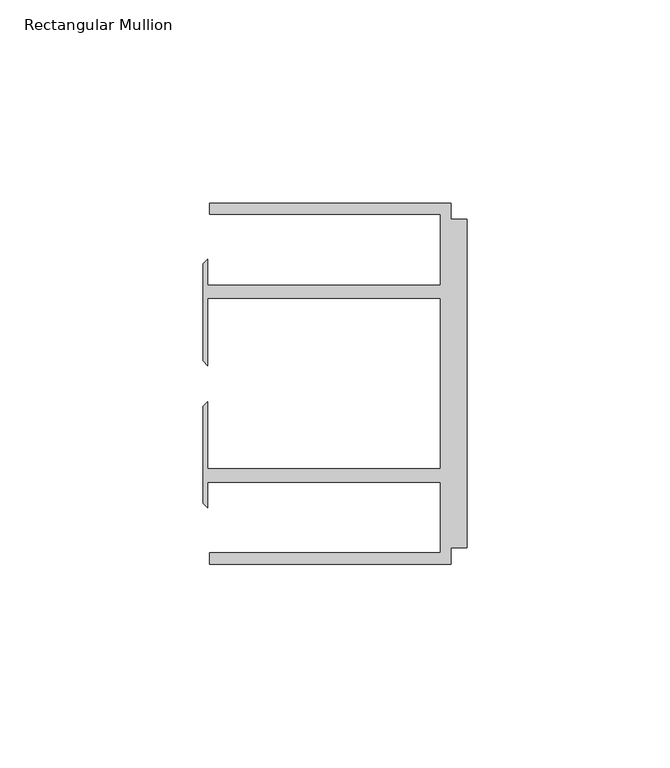
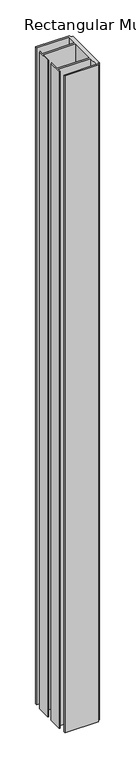
"""IFC4 building model written with IfcOpenShell, lengths in millimetres: member geometry, Rectangular Mullion."""

from ifc_helpers import new_model, si_unit, frame, origin, place, context, project, spatial, polyline, outline, extrude, source, transform, mapped, element, save


def rectangular_mullion_a6a1e994(model_context):
    return source(origin(), model_context, "Body", "SweptSolid", [
        extrude(outline(polyline([(-4.0000001, 44.45), (-4.0000001, 40.4500013), (0.0, 40.4500013), (0.0, -40.4500013), (-4.0000001, -40.4500013), (-4.0000001, -44.45), (-63.5, -44.45), (-63.5, -41.6500013), (-6.6000002, -41.6500013), (-6.6000002, -24.2500008), (-63.9424102, -24.2500008), (-63.9424102, -30.6159585), (-65.0875, -29.4708687), (-65.0875, -5.5846059), (-63.9424102, -4.4395161), (-63.9424102, -20.9500007), (-6.6000002, -20.9500007), (-6.6000002, 20.9500007), (-63.9424102, 20.9500007), (-63.9424102, 4.4395161), (-65.0875, 5.5846059), (-65.0875, 29.4708687), (-63.9424102, 30.6159585), (-63.9424102, 24.2500008), (-6.6000002, 24.2500008), (-6.6000002, 41.6500013), (-63.5, 41.6500013), (-63.5, 44.45), (-4.0000001, 44.45)])), frame((0.0, 0.0, -1219.2), z_axis=(0.0, 0.0, 1.0), x_axis=(1.0, 0.0, 0.0)), (0.0, 0.0, 1.0), 1219.2),
    ])


if __name__ == "__main__":
    model = new_model("IFC4")
    model_context = context("Model", 3, world=origin())
    ifc_project = project(units=[si_unit("LENGTHUNIT", "METRE", prefix="MILLI")], contexts=[model_context])
    site = spatial("IfcSite", under=ifc_project)
    building = spatial("IfcBuilding", under=site)
    placement = place(None, origin())
    rectangular_mullion_shape = rectangular_mullion_a6a1e994(model_context)
    element("IfcMember", 1, ObjectType="Rectangular Mullion", at=placement, inside=building, context=model_context, shape_type="MappedRepresentation", body=[
        mapped(rectangular_mullion_shape, transform((0.0, 0.0, 0.0), x_axis=(1.0, 0.0, 0.0), y_axis=(0.0, 1.0, 0.0), z_axis=(0.0, 0.0, 1.0))),
    ])
    save(model, "model.ifc")
